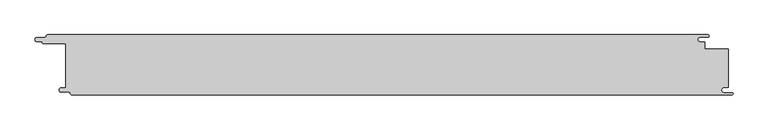
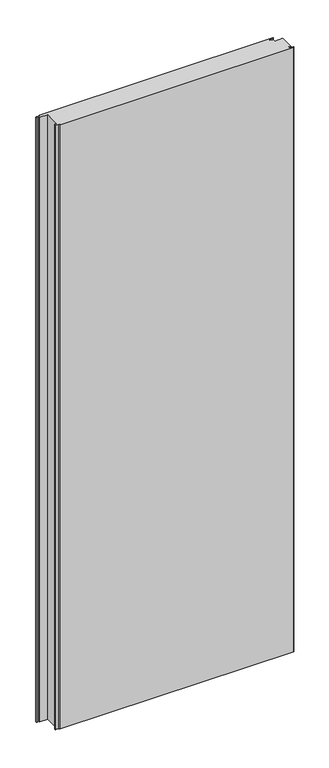
"""IFC4 building model written with IfcOpenShell, lengths in millimetres: proxy geometry."""

from ifc_helpers import new_model, si_unit, point, frame_2d, origin, origin_with_axes, place, context, project, spatial, polyline, circle_curve, trimmed, segment, composite_curve, outline, extrude, source, transform, mapped, element, save


def generic_models_19837a20(model_context):
    return source(origin(), model_context, "Body", "SweptSolid", [
        extrude(outline(composite_curve([segment(polyline([(-565.5, -38.4816509), (-557.5, -38.4816509), (-557.5, 35.03), (-594.9169737, 35.03)]), True, "CONTINUOUS"), segment(trimmed(circle_curve(frame_2d((-594.4430286, 37.2219283)), 2.2425819), [point((-594.9169737, 35.03))], [point((-596.6803567, 37.3753446))], False, "CARTESIAN"), True, "CONTINUOUS"), segment(trimmed(circle_curve(frame_2d((-597.7350122, 37.3753446)), 1.0546554), [point((-596.6803567, 37.3753446))], [point((-597.7350122, 38.43))], True, "CARTESIAN"), True, "CONTINUOUS"), segment(polyline([(-597.7350122, 38.43), (-605.5, 38.43)]), True, "CONTINUOUS"), segment(trimmed(circle_curve(frame_2d((-605.5, 41.965)), 3.535), [point((-605.5, 38.43))], [point((-605.5, 45.5))], False, "CARTESIAN"), True, "CONTINUOUS"), segment(polyline([(-605.5, 45.5), (-593.0, 45.5)]), True, "CONTINUOUS"), segment(trimmed(circle_curve(frame_2d((-593.0, 48.43)), 2.93), [point((-593.0, 45.5))], [point((-590.07, 48.43))], True, "CARTESIAN"), True, "CONTINUOUS"), segment(trimmed(circle_curve(frame_2d((-587.4645959, 47.0573077)), 2.9448964), [point((-590.07, 48.43))], [point((-587.5785115, 50.0))], False, "CARTESIAN"), True, "CONTINUOUS"), segment(polyline([(-587.5785115, 50.0), (507.417592, 50.0)]), True, "CONTINUOUS"), segment(trimmed(circle_curve(frame_2d((507.417592, 47.965)), 2.035), [point((507.417592, 50.0))], [point((507.417592, 45.93))], False, "CARTESIAN"), True, "CONTINUOUS"), segment(polyline([(507.417592, 45.93), (494.5, 45.93)]), True, "CONTINUOUS"), segment(trimmed(circle_curve(frame_2d((494.5, 42.0)), 3.93), [point((494.5, 45.93))], [point((494.5, 38.07))], True, "CARTESIAN"), True, "CONTINUOUS"), segment(polyline([(494.5, 38.07), (502.5, 38.07), (502.5, 26.0), (541.5, 26.0), (541.5, -37.4816509), (534.5, -37.4816509)]), True, "CONTINUOUS"), segment(trimmed(circle_curve(frame_2d((534.5, -41.9816509)), 4.5), [point((534.5, -37.4816509))], [point((534.5, -46.4816509))], True, "CARTESIAN"), True, "CONTINUOUS"), segment(polyline([(534.5, -46.4816509), (547.5802646, -46.4816509)]), True, "CONTINUOUS"), segment(trimmed(circle_curve(frame_2d((547.5802646, -48.2408255)), 1.7591745), [point((547.5802646, -46.4816509))], [point((547.5802646, -50.0))], False, "CARTESIAN"), True, "CONTINUOUS"), segment(polyline([(547.5802646, -50.0), (-547.9710411, -50.0)]), True, "CONTINUOUS"), segment(trimmed(circle_curve(frame_2d((-547.9710411, -47.8890983)), 2.1109017), [point((-547.9710411, -50.0))], [point((-549.9970408, -48.4817459))], False, "CARTESIAN"), True, "CONTINUOUS"), segment(trimmed(circle_curve(frame_2d((-552.9983877, -48.4817459)), 3.0013468), [point((-549.9970408, -48.4817459))], [point((-552.9983877, -45.480399))], True, "CARTESIAN"), True, "CONTINUOUS"), segment(polyline([(-552.9983877, -45.480399), (-565.5, -45.480399)]), True, "CONTINUOUS"), segment(trimmed(circle_curve(frame_2d((-565.5, -41.981025)), 3.4993741), [point((-565.5, -45.480399))], [point((-565.5, -38.4816509))], False, "CARTESIAN"), True, "CONTINUOUS")], self_intersect=False)), origin_with_axes(), (0.0, 0.0, 1.0), 3000.0),
    ])


if __name__ == "__main__":
    model = new_model("IFC4")
    model_context = context("Model", 3, world=origin())
    ifc_project = project(units=[si_unit("LENGTHUNIT", "METRE", prefix="MILLI")], contexts=[model_context])
    site = spatial("IfcSite", under=ifc_project)
    building = spatial("IfcBuilding", under=site)
    placement = place(None, origin())
    generic_models_shape = generic_models_19837a20(model_context)
    element("IfcBuildingElementProxy", 1, Name="Generic Models", at=placement, inside=building, context=model_context, shape_type="MappedRepresentation", body=[
        mapped(generic_models_shape, transform((0.0, 0.0, 0.0), x_axis=(1.0, 0.0, 0.0), y_axis=(0.0, 1.0, 0.0), z_axis=(0.0, 0.0, 1.0))),
    ])
    save(model, "model.ifc")
